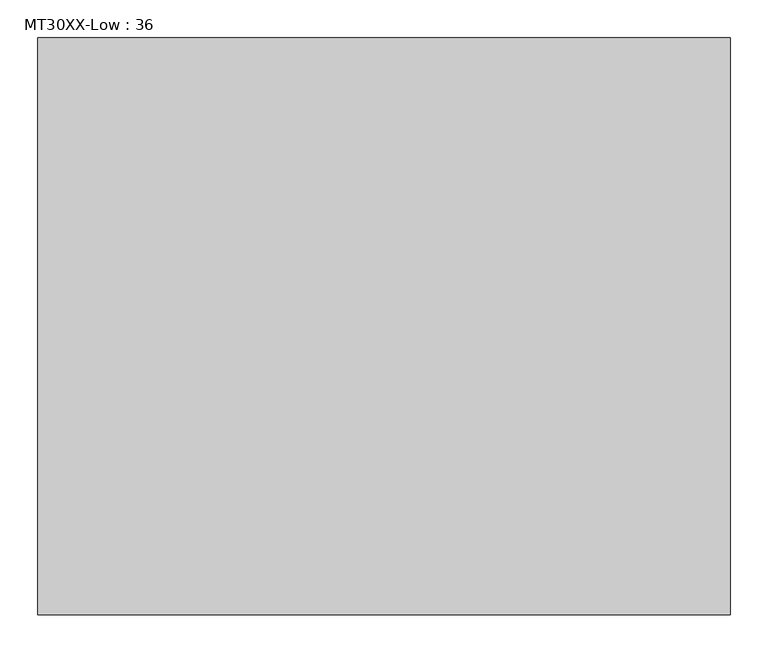
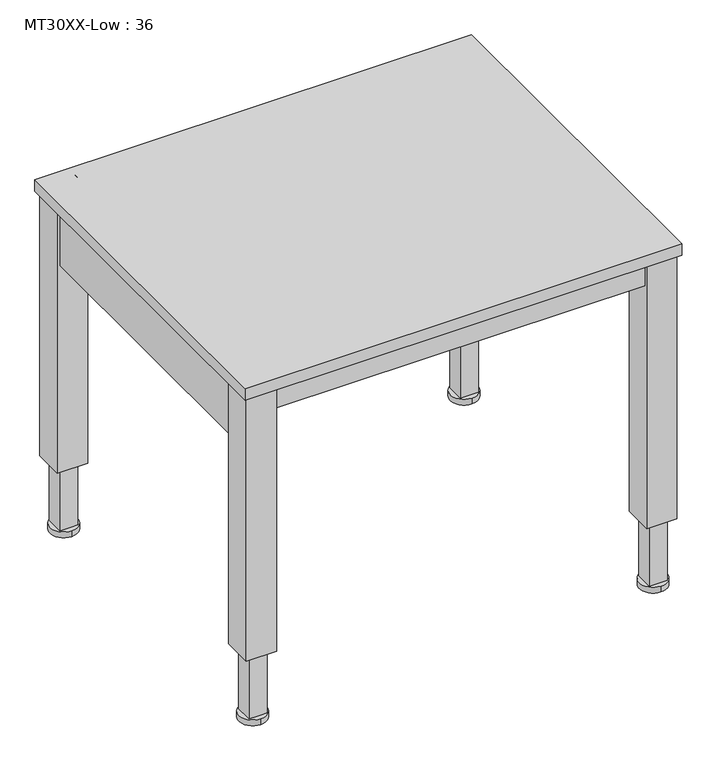
"""IFC4 building model written with IfcOpenShell, lengths in millimetres: furniture geometry, MT30XX-Low : 36."""

from ifc_helpers import new_model, si_unit, point, frame, frame_2d, origin, place, context, project, spatial, polyline, circle_curve, trimmed, segment, composite_curve, outline, extrude, source, transform, mapped, element, save


def mt30xx_low_36_0043f7e0(model_context):
    return source(origin(), model_context, "Body", "SweptSolid", [
        extrude(outline(polyline([(444.5, 311.15), (444.5, -311.15), (425.45, -311.15), (425.45, 311.15), (444.5, 311.15)])), frame((0.0, 0.0, 609.6), z_axis=(0.0, 0.0, 1.0), x_axis=(1.0, 0.0, 0.0)), (0.0, 0.0, 1.0), 127.0),
        extrude(outline(polyline([(-444.5, 311.15), (-425.45, 311.15), (-425.45, -311.15), (-444.5, -311.15), (-444.5, 311.15)])), frame((0.0, 0.0, 609.6), z_axis=(0.0, 0.0, 1.0), x_axis=(1.0, 0.0, 0.0)), (0.0, 0.0, 1.0), 127.0),
        extrude(outline(polyline([(387.35, -349.25), (387.35, -368.3), (-387.35, -368.3), (-387.35, -349.25), (387.35, -349.25)])), frame((0.0, 0.0, 685.8), z_axis=(0.0, 0.0, 1.0), x_axis=(1.0, 0.0, 0.0)), (0.0, 0.0, 1.0), 50.8),
        extrude(outline(composite_curve([segment(trimmed(circle_curve(frame_2d((419.1, -342.9)), 28.9101223), [point((419.1, -313.9898777))], [point((419.1, -371.8101223))], False, "CARTESIAN"), True, "CONTINUOUS"), segment(trimmed(circle_curve(frame_2d((419.1, -342.9)), 28.9101223), [point((419.1, -371.8101223))], [point((419.1, -313.9898777))], False, "CARTESIAN"), True, "CONTINUOUS")], self_intersect=False)), frame((0.0, 0.0, -0.1929415), z_axis=(0.0, 0.0, 1.0), x_axis=(1.0, 0.0, 0.0)), (0.0, 0.0, 1.0), 12.7),
        extrude(outline(composite_curve([segment(trimmed(circle_curve(frame_2d((-419.1, -342.9)), 28.9101223), [point((-419.1, -313.9898777))], [point((-419.1, -371.8101223))], False, "CARTESIAN"), True, "CONTINUOUS"), segment(trimmed(circle_curve(frame_2d((-419.1, -342.9)), 28.9101223), [point((-419.1, -371.8101223))], [point((-419.1, -313.9898777))], False, "CARTESIAN"), True, "CONTINUOUS")], self_intersect=False)), frame((0.0, 0.0, -0.1929415), z_axis=(0.0, 0.0, 1.0), x_axis=(1.0, 0.0, 0.0)), (0.0, 0.0, 1.0), 12.7),
        extrude(outline(composite_curve([segment(trimmed(circle_curve(frame_2d((419.1, 342.9)), 28.9101223), [point((419.1, 371.8101223))], [point((419.1, 313.9898777))], False, "CARTESIAN"), True, "CONTINUOUS"), segment(trimmed(circle_curve(frame_2d((419.1, 342.9)), 28.9101223), [point((419.1, 313.9898777))], [point((419.1, 371.8101223))], False, "CARTESIAN"), True, "CONTINUOUS")], self_intersect=False)), frame((0.0, 0.0, -0.1929415), z_axis=(0.0, 0.0, 1.0), x_axis=(1.0, 0.0, 0.0)), (0.0, 0.0, 1.0), 12.7),
        extrude(outline(composite_curve([segment(trimmed(circle_curve(frame_2d((-419.1, 342.9)), 28.9101223), [point((-419.1, 371.8101223))], [point((-419.1, 313.9898777))], False, "CARTESIAN"), True, "CONTINUOUS"), segment(trimmed(circle_curve(frame_2d((-419.1, 342.9)), 28.9101223), [point((-419.1, 313.9898777))], [point((-419.1, 371.8101223))], False, "CARTESIAN"), True, "CONTINUOUS")], self_intersect=False)), frame((0.0, 0.0, -0.1929415), z_axis=(0.0, 0.0, 1.0), x_axis=(1.0, 0.0, 0.0)), (0.0, 0.0, 1.0), 12.7),
        extrude(outline(polyline([(438.15, 361.95), (438.15, 323.85), (400.304, 323.85), (400.304, 361.95), (438.15, 361.95)])), frame((0.0, 0.0, 12.7), z_axis=(0.0, 0.0, 1.0), x_axis=(1.0, 0.0, 0.0)), (0.0, 0.0, 1.0), 139.7),
        extrude(outline(polyline([(438.15, -323.85), (438.15, -361.95), (400.304, -361.95), (400.304, -323.85), (438.15, -323.85)])), frame((0.0, 0.0, 12.7), z_axis=(0.0, 0.0, 1.0), x_axis=(1.0, 0.0, 0.0)), (0.0, 0.0, 1.0), 139.7),
        extrude(outline(polyline([(-400.05, -323.85), (-400.05, -361.95), (-438.15, -361.95), (-438.15, -323.85), (-400.05, -323.85)])), frame((0.0, 0.0, 12.7), z_axis=(0.0, 0.0, 1.0), x_axis=(1.0, 0.0, 0.0)), (0.0, 0.0, 1.0), 139.7),
        extrude(outline(polyline([(-400.05, 361.95), (-400.05, 323.85), (-438.15, 323.85), (-438.15, 361.95), (-400.05, 361.95)])), frame((0.0, 0.0, 12.7), z_axis=(0.0, 0.0, 1.0), x_axis=(1.0, 0.0, 0.0)), (0.0, 0.0, 1.0), 139.7),
        extrude(outline(polyline([(450.85, -311.15), (450.85, -374.65), (387.35, -374.65), (387.35, -311.15), (450.85, -311.15)])), frame((0.0, 0.0, 152.4), z_axis=(0.0, 0.0, 1.0), x_axis=(1.0, 0.0, 0.0)), (0.0, 0.0, 1.0), 584.2),
        extrude(outline(polyline([(450.85, 374.65), (450.85, 311.15), (387.35, 311.15), (387.35, 374.65), (450.85, 374.65)])), frame((0.0, 0.0, 152.4), z_axis=(0.0, 0.0, 1.0), x_axis=(1.0, 0.0, 0.0)), (0.0, 0.0, 1.0), 584.2),
        extrude(outline(polyline([(-387.35, -311.15), (-387.35, -374.65), (-450.85, -374.65), (-450.85, -311.15), (-387.35, -311.15)])), frame((0.0, 0.0, 152.4), z_axis=(0.0, 0.0, 1.0), x_axis=(1.0, 0.0, 0.0)), (0.0, 0.0, 1.0), 584.2),
        extrude(outline(polyline([(-387.35, 374.65), (-387.35, 311.15), (-450.85, 311.15), (-450.85, 374.65), (-387.35, 374.65)])), frame((0.0, 0.0, 152.4), z_axis=(0.0, 0.0, 1.0), x_axis=(1.0, 0.0, 0.0)), (0.0, 0.0, 1.0), 584.2),
        extrude(outline(polyline([(457.2, 381.0), (457.2, -381.0), (-457.2, -381.0), (-457.2, 381.0), (457.2, 381.0)])), frame((0.0, 0.0, 736.6), z_axis=(0.0, 0.0, 1.0), x_axis=(1.0, 0.0, 0.0)), (0.0, 0.0, 1.0), 25.4),
        extrude(outline(polyline([(387.35, 349.25), (-387.35, 349.25), (-387.35, 368.3), (387.35, 368.3), (387.35, 349.25)])), frame((0.0, 0.0, 609.6), z_axis=(0.0, 0.0, 1.0), x_axis=(1.0, 0.0, 0.0)), (0.0, 0.0, 1.0), 152.4),
    ])


if __name__ == "__main__":
    model = new_model("IFC4")
    model_context = context("Model", 3, world=origin())
    ifc_project = project(units=[si_unit("LENGTHUNIT", "METRE", prefix="MILLI")], contexts=[model_context])
    site = spatial("IfcSite", under=ifc_project)
    building = spatial("IfcBuilding", under=site)
    placement = place(None, origin())
    mt30xx_low_36_shape = mt30xx_low_36_0043f7e0(model_context)
    element("IfcFurniture", 1, ObjectType="MT30XX-Low : 36", at=placement, inside=building, context=model_context, shape_type="MappedRepresentation", body=[
        mapped(mt30xx_low_36_shape, transform((0.0, 0.0, 0.0), x_axis=(1.0, 0.0, 0.0), y_axis=(0.0, 1.0, 0.0), z_axis=(0.0, 0.0, 1.0))),
    ])
    save(model, "model.ifc")
